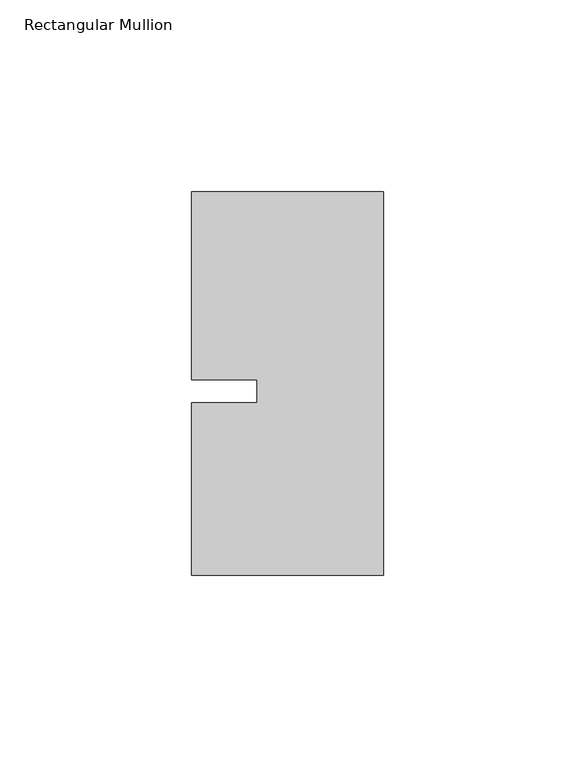
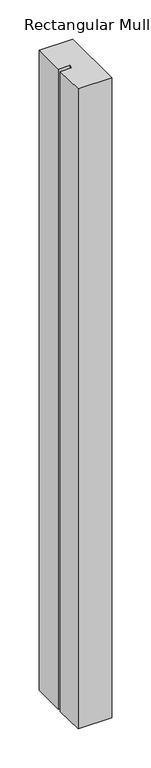
"""IFC4 building model written with IfcOpenShell, lengths in millimetres: member geometry, Rectangular Mullion."""

import ifcopenshell
import ifcopenshell.guid

model = None  # the IFC model being written
_history = None  # IfcOwnerHistory: only IFC2X3 demands one
_inside = {}  # id of a spatial element -> (the spatial element, [elements in it])
_under = {}  # id of a project, library or spatial element -> (it, [spatial elements below it])
_declared = {}  # id of a project -> (the project, [libraries it declares])
_typed = {}  # id of a type object -> (the type object, [elements of that type])
_made_of = {}  # id of a material, layer set ... -> (it, [elements and type objects made of it])


def new_model(schema):
    """Start an empty IFC model of exactly this schema.

    Asked for "IFC4X3", IfcOpenShell would pick the latest addendum, in which some entities
    have other attributes; the version numbers below select the first issue.
    IFC2X3 requires an IfcOwnerHistory on every rooted entity: one is made here for all.
    """
    global model, _history
    if schema == "IFC4X3":
        model = ifcopenshell.file(schema_version=(4, 3, 0, 0))
    else:
        model = ifcopenshell.file(schema=schema)
    _inside.clear()
    _under.clear()
    _declared.clear()
    _typed.clear()
    _made_of.clear()
    _history = None
    if model.schema == "IFC2X3":
        org = make("IfcOrganization", Name="unknown")
        user = make(
            "IfcPersonAndOrganization",
            ThePerson=make("IfcPerson", FamilyName="unknown"),
            TheOrganization=org,
        )
        app = make(
            "IfcApplication",
            ApplicationDeveloper=org,
            Version="unknown",
            ApplicationFullName="unknown",
            ApplicationIdentifier="unknown",
        )
        _history = make(
            "IfcOwnerHistory",
            OwningUser=user,
            OwningApplication=app,
            ChangeAction="ADDED",
            CreationDate=0,
        )
    return model


def make(cls, **values):
    """One entity of the class cls with the attributes given. An attribute that is None is left unset."""
    return model.create_entity(
        cls, **{name: value for name, value in values.items() if value is not None}
    )


def rooted(cls, **values):
    """An entity with a GlobalId (a new one), such as an element, a storey or a relation."""
    return make(cls, GlobalId=ifcopenshell.guid.new(), OwnerHistory=_history, **values)


def si_unit(unit_type, name, prefix=None):
    """IfcSIUnit, for example si_unit("LENGTHUNIT", "METRE", prefix="MILLI")."""
    return make("IfcSIUnit", UnitType=unit_type, Prefix=prefix, Name=name)


def assignment(units):
    """IfcUnitAssignment: the units of a project."""
    return None if units is None else make("IfcUnitAssignment", Units=units)


def point(xyz):
    """IfcCartesianPoint."""
    return None if xyz is None else make("IfcCartesianPoint", Coordinates=xyz)


def direction(xyz):
    """IfcDirection."""
    return None if xyz is None else make("IfcDirection", DirectionRatios=xyz)


def frame(location, z_axis=None, x_axis=None):
    """IfcAxis2Placement3D, a coordinate frame: its origin and axes. An axis left out is left unset."""
    return make(
        "IfcAxis2Placement3D",
        Location=point(location),
        Axis=direction(z_axis),
        RefDirection=direction(x_axis),
    )


def origin():
    """The frame at (0, 0, 0) with its axes left unset."""
    return frame((0.0, 0.0, 0.0))


def place(relative_to, where):
    """IfcLocalPlacement: puts the frame where relative to a parent placement (None: the world)."""
    return make(
        "IfcLocalPlacement", PlacementRelTo=relative_to, RelativePlacement=where
    )


def context(
    kind, dimensions, precision=None, world=None, true_north=None, identifier=None
):
    """IfcGeometricRepresentationContext, for example the 3D "Model" context."""
    return make(
        "IfcGeometricRepresentationContext",
        ContextIdentifier=identifier,
        ContextType=kind,
        CoordinateSpaceDimension=dimensions,
        Precision=precision,
        WorldCoordinateSystem=world,
        TrueNorth=true_north,
    )


def project(units=None, contexts=None):
    """IfcProject with its units and contexts."""
    return rooted(
        "IfcProject",
        Name="project",
        RepresentationContexts=contexts,
        UnitsInContext=assignment(units),
    )


def spatial(cls, under=None, at=None, **own):
    """A site, building, storey or space (cls), placed at a placement, below another one or the project."""
    s = rooted(cls, ObjectPlacement=at, **own)
    if under is not None:
        _under.setdefault(under.id(), (under, []))[1].append(s)
    return s


def polyline(points):
    """IfcPolyline through the points."""
    return make("IfcPolyline", Points=[point(p) for p in points])


def outline(outer, holes=None, kind="AREA"):
    """IfcArbitraryClosedProfileDef: a profile drawn as a closed curve; with holes, ...WithVoids."""
    if holes is None:
        return make("IfcArbitraryClosedProfileDef", ProfileType=kind, OuterCurve=outer)
    return make(
        "IfcArbitraryProfileDefWithVoids",
        ProfileType=kind,
        OuterCurve=outer,
        InnerCurves=holes,
    )


def extrude(swept, where, along, depth):
    """IfcExtrudedAreaSolid: the profile swept, set in the frame where, extruded along a direction by depth."""
    return make(
        "IfcExtrudedAreaSolid",
        SweptArea=swept,
        Position=where,
        ExtrudedDirection=direction(along),
        Depth=depth,
    )


def shape(context_of_items, identifier, shape_type, items):
    """IfcShapeRepresentation: the items that make up one representation, for example the "Body"."""
    return make(
        "IfcShapeRepresentation",
        ContextOfItems=context_of_items,
        RepresentationIdentifier=identifier,
        RepresentationType=shape_type,
        Items=items,
    )


def source(mapping_origin, context_of_items, identifier, shape_type, items):
    """IfcRepresentationMap: a shape defined once, which mapped items show again and again."""
    return make(
        "IfcRepresentationMap",
        MappingOrigin=mapping_origin,
        MappedRepresentation=shape(context_of_items, identifier, shape_type, items),
    )


def transform(
    local_origin,
    x_axis=None,
    y_axis=None,
    z_axis=None,
    scale=None,
    scale2=None,
    scale3=None,
    uniform=True,
):
    """IfcCartesianTransformationOperator3D, or its non-uniform kind. x_axis, y_axis, z_axis: its Axis1, 2, 3."""
    if uniform:
        return make(
            "IfcCartesianTransformationOperator3D",
            Axis1=direction(x_axis),
            Axis2=direction(y_axis),
            LocalOrigin=point(local_origin),
            Scale=scale,
            Axis3=direction(z_axis),
        )
    return make(
        "IfcCartesianTransformationOperator3DnonUniform",
        Axis1=direction(x_axis),
        Axis2=direction(y_axis),
        LocalOrigin=point(local_origin),
        Scale=scale,
        Axis3=direction(z_axis),
        Scale2=scale2,
        Scale3=scale3,
    )


def mapped(mapping_source, mapping_target):
    """IfcMappedItem: shows the shape of a source again, moved by a transform."""
    return make(
        "IfcMappedItem", MappingSource=mapping_source, MappingTarget=mapping_target
    )


def made_of(thing, what):
    """Note that an element or type object is made of a material, layer set ...; save() writes the relation."""
    if what is not None:
        _made_of.setdefault(what.id(), (what, []))[1].append(thing)
    return thing


def element(
    cls,
    number,
    at=None,
    inside=None,
    cuts=None,
    type_object=None,
    material=None,
    context=None,
    identifier="Body",
    shape_type=None,
    held_by="IfcProductDefinitionShape",
    body=None,
    shapes=None,
    **own,
):
    """One element of the class cls, such as IfcWall. Its Tag is "e" and its number.

    at: its placement. inside: the storey or other place that contains it. cuts: it is an
    opening in that element (IfcRelVoidsElement). A single representation is given by context,
    identifier, shape_type and body (its items); several are given by shapes. held_by: the class
    of the entity that holds the representations. save() writes the other relations.
    """
    e = rooted(cls, Tag="e%d" % number, ObjectPlacement=at, **own)
    if body is not None:
        shapes = [shape(context, identifier, shape_type, body)]
    if shapes is not None:
        e.Representation = make(held_by, Representations=shapes)
    if inside is not None:
        _inside.setdefault(inside.id(), (inside, []))[1].append(e)
    if cuts is not None:
        rooted(
            "IfcRelVoidsElement", RelatingBuildingElement=cuts, RelatedOpeningElement=e
        )
    if type_object is not None:
        _typed.setdefault(type_object.id(), (type_object, []))[1].append(e)
    return made_of(e, material)


def aggregate(whole, parts):
    """IfcRelAggregates: a whole, such as a stair, and the parts it consists of."""
    return rooted("IfcRelAggregates", RelatingObject=whole, RelatedObjects=parts)


def save(model, path):
    """Write the relations noted so far, then the file.

    IfcRelAggregates (storeys below a building ...), IfcRelContainedInSpatialStructure (elements
    in a storey), IfcRelDefinesByType, IfcRelAssociatesMaterial and IfcRelDeclares: one each for
    every whole, place, type object, material and project.
    """
    for whole, parts in _under.values():
        aggregate(whole, parts)
    for where, things in _inside.values():
        rooted(
            "IfcRelContainedInSpatialStructure",
            RelatedElements=things,
            RelatingStructure=where,
        )
    for kind, things in _typed.values():
        rooted("IfcRelDefinesByType", RelatedObjects=things, RelatingType=kind)
    for what, things in _made_of.values():
        rooted("IfcRelAssociatesMaterial", RelatedObjects=things, RelatingMaterial=what)
    for by, libraries in _declared.values():
        rooted("IfcRelDeclares", RelatingContext=by, RelatedDefinitions=libraries)
    model.write(path)


def rectangular_mullion_493cad2f(model_context):
    return source(origin(), model_context, "Body", "SweptSolid", [
        extrude(outline(polyline([(-33.0004407, -3.0000086), (-33.0004379, 3.0000086), (-49.9999762, 3.0000166), (-49.9999534, 51.9999993), (0.0, 51.9999711), (0.0, -48.000024), (-50.0, -48.0000007), (-49.999979, -3.0000007), (-33.0004407, -3.0000086)])), frame((0.0, 0.0, -1000.9288599), z_axis=(0.0, 0.0, 1.0), x_axis=(1.0, 0.0, 0.0)), (0.0, 0.0, 1.0), 1000.9288599),
    ])


if __name__ == "__main__":
    model = new_model("IFC4")
    model_context = context("Model", 3, world=origin())
    ifc_project = project(units=[si_unit("LENGTHUNIT", "METRE", prefix="MILLI")], contexts=[model_context])
    site = spatial("IfcSite", under=ifc_project)
    building = spatial("IfcBuilding", under=site)
    placement = place(None, origin())
    rectangular_mullion_shape = rectangular_mullion_493cad2f(model_context)
    element("IfcMember", 1, ObjectType="Rectangular Mullion", at=placement, inside=building, context=model_context, shape_type="MappedRepresentation", body=[
        mapped(rectangular_mullion_shape, transform((0.0, 0.0, 0.0), x_axis=(1.0, 0.0, 0.0), y_axis=(0.0, 1.0, 0.0), z_axis=(0.0, 0.0, 1.0))),
    ])
    save(model, "model.ifc")
